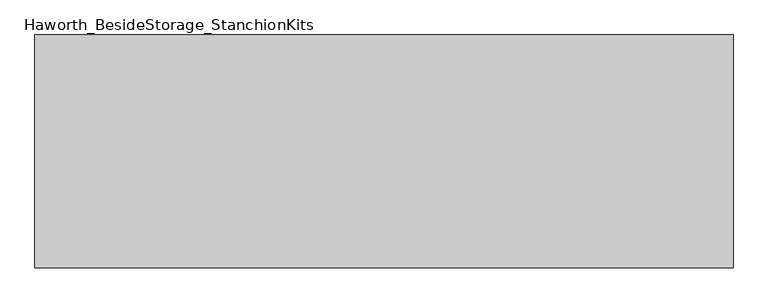
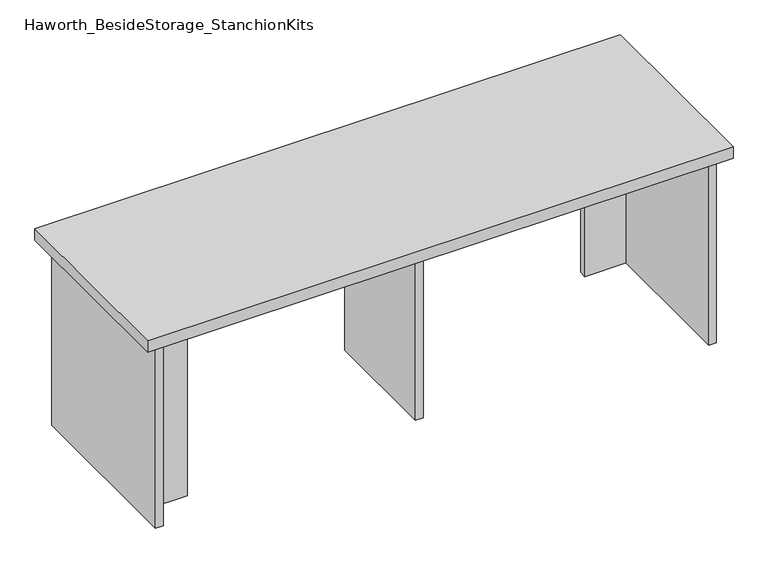
"""IFC4 building model written with IfcOpenShell, lengths in millimetres: furniture geometry, Haworth_BesideStorage_StanchionKits."""

from ifc_helpers import new_model, si_unit, frame, origin, place, context, project, spatial, polyline, outline, extrude, source, transform, mapped, element, save


def haworth_besidestorage_stanchionkits_96747d87(model_context):
    return source(origin(), model_context, "Body", "SweptSolid", [
        extrude(outline(polyline([(771.525, 0.0), (771.525, -406.4), (-447.675, -406.4), (-447.675, 0.0), (771.525, 0.0)])), frame((0.0, 0.0, 838.2), z_axis=(0.0, 0.0, 1.0), x_axis=(1.0, 0.0, 0.0)), (0.0, 0.0, 1.0), 25.4),
        extrude(outline(polyline([(644.525, -76.2), (730.25, -76.2), (730.25, -92.075), (644.525, -92.075), (644.525, -76.2)])), frame((0.0, 0.0, 431.8), z_axis=(0.0, 0.0, 1.0), x_axis=(1.0, 0.0, 0.0)), (0.0, 0.0, 1.0), 406.4),
        extrude(outline(polyline([(-320.675, -314.325), (-320.675, -330.2), (-406.4, -330.2), (-406.4, -314.325), (-320.675, -314.325)])), frame((0.0, 0.0, 431.8), z_axis=(0.0, 0.0, 1.0), x_axis=(1.0, 0.0, 0.0)), (0.0, 0.0, 1.0), 406.4),
        extrude(outline(polyline([(169.8625, -330.2), (153.9875, -330.2), (153.9875, -76.2), (169.8625, -76.2), (169.8625, -330.2)])), frame((0.0, 0.0, 431.8), z_axis=(0.0, 0.0, 1.0), x_axis=(1.0, 0.0, 0.0)), (0.0, 0.0, 1.0), 406.4),
        extrude(outline(polyline([(746.125, -390.525), (730.25, -390.525), (730.25, -15.875), (746.125, -15.875), (746.125, -390.525)])), frame((0.0, 0.0, 431.8), z_axis=(0.0, 0.0, 1.0), x_axis=(1.0, 0.0, 0.0)), (0.0, 0.0, 1.0), 406.4),
        extrude(outline(polyline([(-406.4, -390.525), (-422.275, -390.525), (-422.275, -15.875), (-406.4, -15.875), (-406.4, -390.525)])), frame((0.0, 0.0, 431.8), z_axis=(0.0, 0.0, 1.0), x_axis=(1.0, 0.0, 0.0)), (0.0, 0.0, 1.0), 406.4),
    ])


if __name__ == "__main__":
    model = new_model("IFC4")
    model_context = context("Model", 3, world=origin())
    ifc_project = project(units=[si_unit("LENGTHUNIT", "METRE", prefix="MILLI")], contexts=[model_context])
    site = spatial("IfcSite", under=ifc_project)
    building = spatial("IfcBuilding", under=site)
    placement = place(None, origin())
    haworth_besidestorage_stanchionkits_shape = haworth_besidestorage_stanchionkits_96747d87(model_context)
    element("IfcFurniture", 1, ObjectType="Haworth_BesideStorage_StanchionKits", at=placement, inside=building, context=model_context, shape_type="MappedRepresentation", body=[
        mapped(haworth_besidestorage_stanchionkits_shape, transform((0.0, 0.0, 0.0), x_axis=(1.0, 0.0, 0.0), y_axis=(0.0, 1.0, 0.0), z_axis=(0.0, 0.0, 1.0))),
    ])
    save(model, "model.ifc")
